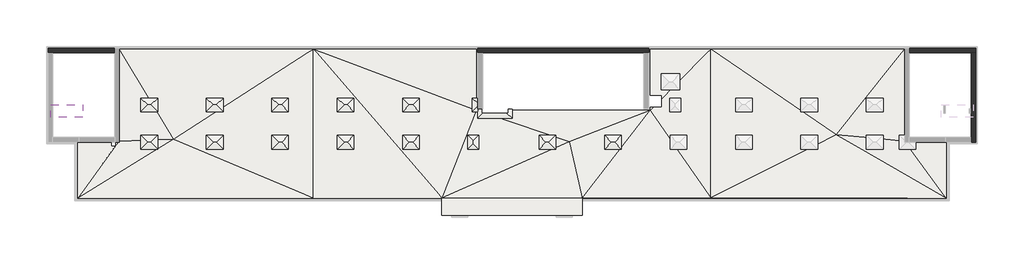
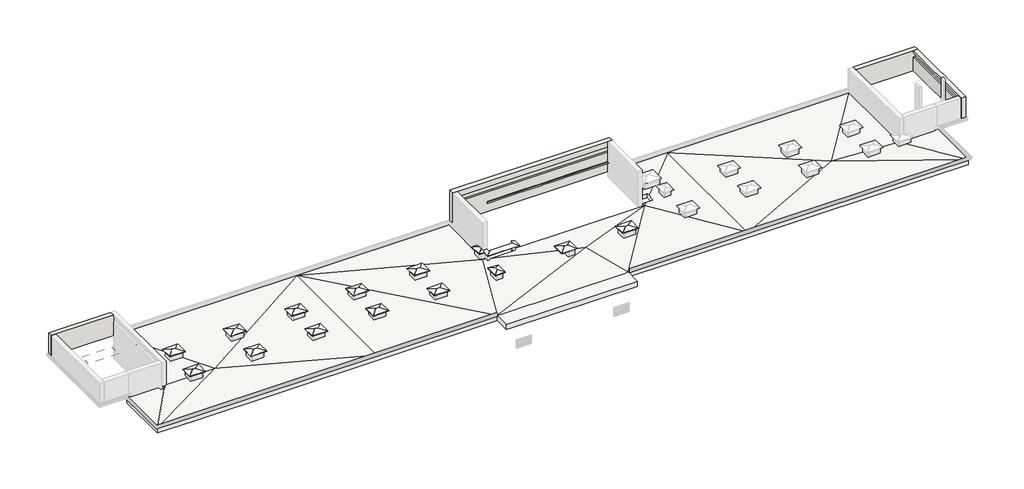
# One storey, part 3 of 5: 16 roofs, 4 walls, 1 slab.
"""IFC4 building model written with IfcOpenShell, lengths in millimetres."""

from ifc_helpers import new_model, si_unit, origin, place, context, project, spatial, faceted_brep, element, save

model = new_model("IFC4")

# Units and contexts
model_context = context("Model", 3, world=origin())
ifc_project = project(units=[si_unit("LENGTHUNIT", "METRE", prefix="MILLI")], contexts=[model_context])

# Site, building, storey
site = spatial("IfcSite", under=ifc_project)
building = spatial("IfcBuilding", under=site)
storey = spatial("IfcBuildingStorey", under=building, Elevation=33100.0)

# Roofs
placement = place(None, origin())
element("IfcRoof", 1, at=placement, inside=storey, context=model_context, shape_type="Brep", body=[
    faceted_brep([(-37279.9887159, -5086.8920513, 34092.9234186), (-36559.9887159, -5806.8920513, 33900.0), (-38319.9887159, -5806.8920513, 33900.0), (-37599.9887159, -5086.8920513, 34092.9234186), (-36559.9887159, -4366.8920513, 33900.0), (-38319.9887159, -4366.8920513, 33900.0), (-36559.9887159, -5806.8920513, 33941.4110472), (-37279.9887159, -5086.8920513, 34134.3344658), (-37599.9887159, -5086.8920513, 34134.3344658), (-38319.9887159, -5806.8920513, 33941.4110472), (-36559.9887159, -4366.8920513, 33941.4110472), (-38319.9887159, -4366.8920513, 33941.4110472)], [[[0, 1, 2, 3]], [[1, 0, 4]], [[5, 3, 2]], [[4, 0, 3, 5]], [[6, 7, 8, 9]], [[6, 10, 7]], [[11, 9, 8]], [[10, 11, 8, 7]], [[4, 10, 6, 1]], [[5, 11, 10, 4]], [[2, 9, 11, 5]], [[1, 6, 9, 2]]]),
])
element("IfcRoof", 2, at=placement, inside=storey, context=model_context, shape_type="Brep", body=[
    faceted_brep([(-37279.9887159, -9026.8920513, 34092.9234186), (-36559.9887159, -9746.8920513, 33900.0), (-38319.9887159, -9746.8920513, 33900.0), (-37599.9887159, -9026.8920513, 34092.9234186), (-36559.9887159, -8306.8920513, 33900.0), (-38319.9887159, -8306.8920513, 33900.0), (-36559.9887159, -9746.8920513, 33941.4110472), (-37279.9887159, -9026.8920513, 34134.3344658), (-37599.9887159, -9026.8920513, 34134.3344658), (-38319.9887159, -9746.8920513, 33941.4110472), (-36559.9887159, -8306.8920513, 33941.4110472), (-38319.9887159, -8306.8920513, 33941.4110472)], [[[0, 1, 2, 3]], [[1, 0, 4]], [[5, 3, 2]], [[4, 0, 3, 5]], [[6, 7, 8, 9]], [[6, 10, 7]], [[11, 9, 8]], [[10, 11, 8, 7]], [[4, 10, 6, 1]], [[5, 11, 10, 4]], [[2, 9, 11, 5]], [[1, 6, 9, 2]]]),
])
element("IfcRoof", 3, at=placement, inside=storey, context=model_context, shape_type="Brep", body=[
    faceted_brep([(-30379.9887159, -9026.8920513, 34092.9234186), (-29659.9887159, -9746.8920513, 33900.0), (-31419.9887159, -9746.8920513, 33900.0), (-30699.9887159, -9026.8920513, 34092.9234186), (-29659.9887159, -8306.8920513, 33900.0), (-31419.9887159, -8306.8920513, 33900.0), (-29659.9887159, -9746.8920513, 33941.4110472), (-30379.9887159, -9026.8920513, 34134.3344658), (-30699.9887159, -9026.8920513, 34134.3344658), (-31419.9887159, -9746.8920513, 33941.4110472), (-29659.9887159, -8306.8920513, 33941.4110472), (-31419.9887159, -8306.8920513, 33941.4110472)], [[[0, 1, 2, 3]], [[1, 0, 4]], [[5, 3, 2]], [[4, 0, 3, 5]], [[6, 7, 8, 9]], [[6, 10, 7]], [[11, 9, 8]], [[10, 11, 8, 7]], [[4, 10, 6, 1]], [[5, 11, 10, 4]], [[2, 9, 11, 5]], [[1, 6, 9, 2]]]),
])
element("IfcRoof", 4, at=placement, inside=storey, context=model_context, shape_type="Brep", body=[
    faceted_brep([(-30379.9887159, -5086.8920513, 34088.5889528), (-29659.9887159, -5806.8920513, 33895.6655342), (-31419.9887159, -5806.8920513, 33895.6655342), (-30699.9887159, -5086.8920513, 34088.5889528), (-29659.9887159, -4366.8920513, 33895.6655342), (-31419.9887159, -4366.8920513, 33895.6655342), (-29659.9887159, -5806.8920513, 33937.0765814), (-30379.9887159, -5086.8920513, 34130.0), (-30699.9887159, -5086.8920513, 34130.0), (-31419.9887159, -5806.8920513, 33937.0765814), (-29659.9887159, -4366.8920513, 33937.0765814), (-31419.9887159, -4366.8920513, 33937.0765814)], [[[0, 1, 2, 3]], [[1, 0, 4]], [[5, 3, 2]], [[4, 0, 3, 5]], [[6, 7, 8, 9]], [[6, 10, 7]], [[11, 9, 8]], [[10, 11, 8, 7]], [[4, 10, 6, 1]], [[5, 11, 10, 4]], [[2, 9, 11, 5]], [[1, 6, 9, 2]]]),
])
element("IfcRoof", 5, at=placement, inside=storey, context=model_context, shape_type="Brep", body=[
    faceted_brep([(-23479.9887159, -9021.8920656, 34092.9234186), (-22759.9887159, -9741.8920656, 33900.0), (-24519.9887159, -9741.8920656, 33900.0), (-23799.9887159, -9021.8920656, 34092.9234186), (-22759.9887159, -8301.8920656, 33900.0), (-24519.9887159, -8301.8920656, 33900.0), (-22759.9887159, -9741.8920656, 33941.4110472), (-23479.9887159, -9021.8920656, 34134.3344658), (-23799.9887159, -9021.8920656, 34134.3344658), (-24519.9887159, -9741.8920656, 33941.4110472), (-22759.9887159, -8301.8920656, 33941.4110472), (-24519.9887159, -8301.8920656, 33941.4110472)], [[[0, 1, 2, 3]], [[1, 0, 4]], [[5, 3, 2]], [[4, 0, 3, 5]], [[6, 7, 8, 9]], [[6, 10, 7]], [[11, 9, 8]], [[10, 11, 8, 7]], [[4, 10, 6, 1]], [[5, 11, 10, 4]], [[2, 9, 11, 5]], [[1, 6, 9, 2]]]),
])
element("IfcRoof", 6, at=placement, inside=storey, context=model_context, shape_type="Brep", body=[
    faceted_brep([(-23479.9887159, -5086.8920513, 34092.9234186), (-22759.9887159, -5806.8920513, 33900.0), (-24519.9887159, -5806.8920513, 33900.0), (-23799.9887159, -5086.8920513, 34092.9234186), (-22759.9887159, -4366.8920513, 33900.0), (-24519.9887159, -4366.8920513, 33900.0), (-22759.9887159, -5806.8920513, 33941.4110472), (-23479.9887159, -5086.8920513, 34134.3344658), (-23799.9887159, -5086.8920513, 34134.3344658), (-24519.9887159, -5806.8920513, 33941.4110472), (-22759.9887159, -4366.8920513, 33941.4110472), (-24519.9887159, -4366.8920513, 33941.4110472)], [[[0, 1, 2, 3]], [[1, 0, 4]], [[5, 3, 2]], [[4, 0, 3, 5]], [[6, 7, 8, 9]], [[6, 10, 7]], [[11, 9, 8]], [[10, 11, 8, 7]], [[4, 10, 6, 1]], [[5, 11, 10, 4]], [[2, 9, 11, 5]], [[1, 6, 9, 2]]]),
])
element("IfcRoof", 7, at=placement, inside=storey, context=model_context, shape_type="Brep", body=[
    faceted_brep([(-16579.9887159, -9026.8920513, 34092.9234186), (-15859.9887159, -9746.8920513, 33900.0), (-17619.9887159, -9746.8920513, 33900.0), (-16899.9887159, -9026.8920513, 34092.9234186), (-15859.9887159, -8306.8920513, 33900.0), (-17619.9887159, -8306.8920513, 33900.0), (-15859.9887159, -9746.8920513, 33941.4110472), (-16579.9887159, -9026.8920513, 34134.3344658), (-16899.9887159, -9026.8920513, 34134.3344658), (-17619.9887159, -9746.8920513, 33941.4110472), (-15859.9887159, -8306.8920513, 33941.4110472), (-17619.9887159, -8306.8920513, 33941.4110472)], [[[0, 1, 2, 3]], [[1, 0, 4]], [[5, 3, 2]], [[4, 0, 3, 5]], [[6, 7, 8, 9]], [[6, 10, 7]], [[11, 9, 8]], [[10, 11, 8, 7]], [[4, 10, 6, 1]], [[5, 11, 10, 4]], [[2, 9, 11, 5]], [[1, 6, 9, 2]]]),
])
element("IfcRoof", 8, at=placement, inside=storey, context=model_context, shape_type="Brep", body=[
    faceted_brep([(-16579.9887159, -5086.8920513, 34092.9234186), (-15859.9887159, -5806.8920513, 33900.0), (-17619.9887159, -5806.8920513, 33900.0), (-16899.9887159, -5086.8920513, 34092.9234186), (-15859.9887159, -4366.8920513, 33900.0), (-17619.9887159, -4366.8920513, 33900.0), (-15859.9887159, -5806.8920513, 33941.4110472), (-16579.9887159, -5086.8920513, 34134.3344658), (-16899.9887159, -5086.8920513, 34134.3344658), (-17619.9887159, -5806.8920513, 33941.4110472), (-15859.9887159, -4366.8920513, 33941.4110472), (-17619.9887159, -4366.8920513, 33941.4110472)], [[[0, 1, 2, 3]], [[1, 0, 4]], [[5, 3, 2]], [[4, 0, 3, 5]], [[6, 7, 8, 9]], [[6, 10, 7]], [[11, 9, 8]], [[10, 11, 8, 7]], [[4, 10, 6, 1]], [[5, 11, 10, 4]], [[2, 9, 11, 5]], [[1, 6, 9, 2]]]),
])
element("IfcRoof", 9, at=placement, inside=storey, context=model_context, shape_type="Brep", body=[
    faceted_brep([(-9679.9887159, -9026.8920513, 34092.9234186), (-8959.9887159, -9746.8920513, 33900.0), (-10719.9887159, -9746.8920513, 33900.0), (-9999.9887159, -9026.8920513, 34092.9234186), (-8959.9887159, -8306.8920513, 33900.0), (-10719.9887159, -8306.8920513, 33900.0), (-8959.9887159, -9746.8920513, 33941.4110472), (-9679.9887159, -9026.8920513, 34134.3344658), (-9999.9887159, -9026.8920513, 34134.3344658), (-10719.9887159, -9746.8920513, 33941.4110472), (-8959.9887159, -8306.8920513, 33941.4110472), (-10719.9887159, -8306.8920513, 33941.4110472)], [[[0, 1, 2, 3]], [[1, 0, 4]], [[5, 3, 2]], [[4, 0, 3, 5]], [[6, 7, 8, 9]], [[6, 10, 7]], [[11, 9, 8]], [[10, 11, 8, 7]], [[4, 10, 6, 1]], [[5, 11, 10, 4]], [[2, 9, 11, 5]], [[1, 6, 9, 2]]]),
])
element("IfcRoof", 10, at=placement, inside=storey, context=model_context, shape_type="Brep", body=[
    faceted_brep([(-9679.9887159, -5086.8920513, 34092.9234186), (-8959.9887159, -5806.8920513, 33900.0), (-10719.9887159, -5806.8920513, 33900.0), (-9999.9887159, -5086.8920513, 34092.9234186), (-8959.9887159, -4366.8920513, 33900.0), (-10719.9887159, -4366.8920513, 33900.0), (-8959.9887159, -5806.8920513, 33941.4110472), (-9679.9887159, -5086.8920513, 34134.3344658), (-9999.9887159, -5086.8920513, 34134.3344658), (-10719.9887159, -5806.8920513, 33941.4110472), (-8959.9887159, -4366.8920513, 33941.4110472), (-10719.9887159, -4366.8920513, 33941.4110472)], [[[0, 1, 2, 3]], [[1, 0, 4]], [[5, 3, 2]], [[4, 0, 3, 5]], [[6, 7, 8, 9]], [[6, 10, 7]], [[11, 9, 8]], [[10, 11, 8, 7]], [[4, 10, 6, 1]], [[5, 11, 10, 4]], [[2, 9, 11, 5]], [[1, 6, 9, 2]]]),
])
element("IfcRoof", 11, at=placement, inside=storey, context=model_context, shape_type="Brep", body=[
    faceted_brep([(-3257.4887159, -9169.3920513, 34054.7406586), (-2679.9887159, -9746.8920513, 33900.0), (-3834.9887159, -9746.8920513, 33900.0), (-3257.4887159, -8884.3920513, 34054.7406586), (-2679.9887159, -8306.8920513, 33900.0), (-3834.9887159, -8306.8920513, 33900.0), (-2679.9887159, -9746.8920513, 33941.4110472), (-3257.4887159, -9169.3920513, 34096.1517058), (-3834.9887159, -9746.8920513, 33941.4110472), (-2679.9887159, -8306.8920513, 33941.4110472), (-3257.4887159, -8884.3920513, 34096.1517058), (-3834.9887159, -8306.8920513, 33941.4110472)], [[[0, 1, 2]], [[1, 0, 3, 4]], [[5, 3, 0, 2]], [[4, 3, 5]], [[6, 7, 8]], [[6, 9, 10, 7]], [[11, 8, 7, 10]], [[9, 11, 10]], [[4, 9, 6, 1]], [[5, 11, 9, 4]], [[2, 8, 11, 5]], [[1, 6, 8, 2]]]),
])
element("IfcRoof", 12, at=placement, inside=storey, context=model_context, shape_type="Brep", body=[
    faceted_brep([(4700.0112841, -9026.8920513, 34092.9234186), (5420.0112841, -9746.8920513, 33900.0), (3660.0112841, -9746.8920513, 33900.0), (4380.0112841, -9026.8920513, 34092.9234186), (5420.0112841, -8306.8920513, 33900.0), (3660.0112841, -8306.8920513, 33900.0), (5420.0112841, -9746.8920513, 33941.4110472), (4700.0112841, -9026.8920513, 34134.3344658), (4380.0112841, -9026.8920513, 34134.3344658), (3660.0112841, -9746.8920513, 33941.4110472), (5420.0112841, -8306.8920513, 33941.4110472), (3660.0112841, -8306.8920513, 33941.4110472)], [[[0, 1, 2, 3]], [[1, 0, 4]], [[5, 3, 2]], [[4, 0, 3, 5]], [[6, 7, 8, 9]], [[6, 10, 7]], [[11, 9, 8]], [[10, 11, 8, 7]], [[4, 10, 6, 1]], [[5, 11, 10, 4]], [[2, 9, 11, 5]], [[1, 6, 9, 2]]]),
])
element("IfcRoof", 13, at=placement, inside=storey, context=model_context, shape_type="Brep", body=[
    faceted_brep([(11620.0112841, -9026.8920513, 34092.9234186), (12340.0112841, -9746.8920513, 33900.0), (10580.0112841, -9746.8920513, 33900.0), (11300.0112841, -9026.8920513, 34092.9234186), (12340.0112841, -8306.8920513, 33900.0), (10580.0112841, -8306.8920513, 33900.0), (12340.0112841, -9746.8920513, 33941.4110472), (11620.0112841, -9026.8920513, 34134.3344658), (11300.0112841, -9026.8920513, 34134.3344658), (10580.0112841, -9746.8920513, 33941.4110472), (12340.0112841, -8306.8920513, 33941.4110472), (10580.0112841, -8306.8920513, 33941.4110472)], [[[0, 1, 2, 3]], [[1, 0, 4]], [[5, 3, 2]], [[4, 0, 3, 5]], [[6, 7, 8, 9]], [[6, 10, 7]], [[11, 9, 8]], [[10, 11, 8, 7]], [[4, 10, 6, 1]], [[5, 11, 10, 4]], [[2, 9, 11, 5]], [[1, 6, 9, 2]]]),
])
element("IfcRoof", 14, at=placement, inside=storey, context=model_context, shape_type="Brep", body=[
    faceted_brep([(-2799.9887159, -5236.8920513, 34052.7310397), (-2799.9887159, -5806.8920513, 33900.0), (-3369.9887159, -5806.8920513, 33900.0), (-3369.9887159, -4366.8920513, 33900.0), (-2799.9887159, -4936.8920513, 34052.7310397), (-2799.9887159, -4366.8920513, 33900.0), (-2799.9887159, -5806.8920513, 33941.4110472), (-2799.9887159, -5236.8920513, 34094.1420869), (-3369.9887159, -5806.8920513, 33941.4110472), (-3369.9887159, -4366.8920513, 33941.4110472), (-2799.9887159, -4936.8920513, 34094.1420869), (-2799.9887159, -4366.8920513, 33941.4110472)], [[[0, 1, 2]], [[3, 4, 0, 2]], [[3, 5, 4]], [[6, 7, 8]], [[9, 8, 7, 10]], [[11, 9, 10]], [[3, 9, 11, 5]], [[2, 8, 9, 3]], [[1, 6, 8, 2]], [[11, 10, 7, 6, 1, 0, 4, 5]]]),
])
element("IfcRoof", 15, at=placement, inside=storey, context=model_context, shape_type="Brep", body=[
    faceted_brep([(810.0112841, -6499.3920513, 33900.0), (-2804.9887159, -6499.3920513, 33900.0), (-2252.4887159, -5946.8920513, 34048.0419288), (257.5112841, -5946.8920513, 34048.0419288), (810.0112841, -5566.8920513, 33900.0), (410.0112841, -5946.8920513, 34007.179677), (410.0112841, -5566.8920513, 34007.179677), (-2804.9887159, -5566.8920513, 33900.0), (-2389.9887159, -5566.8920513, 34011.1989149), (-2389.9887159, -5946.8920513, 34011.1989149), (-2804.9887159, -6499.3920513, 33941.4110472), (810.0112841, -6499.3920513, 33941.4110472), (257.5112841, -5946.8920513, 34089.452976), (-2252.4887159, -5946.8920513, 34089.452976), (810.0112841, -5566.8920513, 33941.4110472), (410.0112841, -5566.8920513, 34048.5907242), (410.0112841, -5946.8920513, 34048.5907242), (-2804.9887159, -5566.8920513, 33941.4110472), (-2389.9887159, -5946.8920513, 34052.6099621), (-2389.9887159, -5566.8920513, 34052.6099621)], [[[0, 1, 2, 3]], [[4, 0, 3, 5, 6]], [[1, 7, 8, 9, 2]], [[10, 11, 12, 13]], [[11, 14, 15, 16, 12]], [[17, 10, 13, 18, 19]], [[14, 11, 0, 4]], [[10, 17, 7, 1]], [[11, 10, 1, 0]], [[18, 9, 8, 19]], [[9, 18, 13, 12, 16, 5, 3, 2]], [[14, 4, 6, 15]], [[7, 17, 19, 8]], [[5, 16, 15, 6]]]),
])
element("IfcRoof", 16, at=placement, inside=storey, context=model_context, shape_type="Brep", body=[
    faceted_brep([(-47169.9887159, -5726.8920513, 37140.6366588), (-47839.9887159, -6396.8920513, 36753.8119785), (-47839.9887159, -5056.8920513, 36753.8119785), (-44439.9887159, -6396.8920513, 36753.8119785), (-45109.9887159, -5726.8920513, 37140.6366588), (-44439.9887159, -5056.8920513, 36753.8119785), (-47839.9887159, -6396.8920513, 36800.0), (-47169.9887159, -5726.8920513, 37186.8246804), (-47839.9887159, -5056.8920513, 36800.0), (-44439.9887159, -6396.8920513, 36800.0), (-44439.9887159, -5056.8920513, 36800.0), (-45109.9887159, -5726.8920513, 37186.8246804)], [[[0, 1, 2]], [[3, 4, 5]], [[1, 0, 4, 3]], [[5, 4, 0, 2]], [[6, 7, 8]], [[9, 10, 11]], [[6, 9, 11, 7]], [[10, 8, 7, 11]], [[3, 9, 6, 1]], [[5, 10, 9, 3]], [[2, 8, 10, 5]], [[1, 6, 8, 2]]]),
])

# Slab
element("IfcSlab", 17, at=placement, inside=storey, context=model_context, shape_type="Brep", body=[
    faceted_brep([(42200.0112841, 793.1079487, 32652.0), (42200.0112841, 393.1079487, 32652.0), (42200.0112841, -8906.8920513, 32652.0), (42570.0112841, -8906.8920513, 32652.0), (42570.0112841, -9016.8920513, 32652.0), (42570.0112841, -9426.8920513, 32652.0), (43070.0112841, -9426.8920513, 32652.0), (43070.0112841, -8906.8920513, 32652.0), (46210.0112841, -8906.8920513, 32652.0), (46610.0112841, -8906.8920513, 32652.0), (46610.0112841, -9016.8920513, 32652.0), (46610.0112841, -14906.8920513, 32652.0), (42510.0112841, -14906.8920513, 32652.0), (21755.0112841, -14906.8920513, 32652.0), (8210.0112841, -14906.8920513, 32652.0), (8210.0112841, -15016.8920513, 32652.0), (8210.0112841, -16306.8920513, 32652.0), (8210.0112841, -16706.8920513, 32652.0), (-6189.9887159, -16706.8920513, 32652.0), (-6589.9887159, -16706.8920513, 32652.0), (-6589.9887159, -15016.8920513, 32652.0), (-6589.9887159, -14906.8920513, 32652.0), (-20134.9887159, -14906.8920513, 32652.0), (-40944.9887159, -14906.8920513, 32652.0), (-44989.9887159, -14906.8920513, 32652.0), (-44989.9887159, -9016.8920513, 32652.0), (-44989.9887159, -8906.8920513, 32652.0), (-44589.9887159, -8906.8920513, 32652.0), (-41449.9887159, -8906.8920513, 32652.0), (-41449.9887159, -9426.8920513, 32652.0), (-40949.9887159, -9426.8920513, 32652.0), (-40949.9887159, -8906.8920513, 32652.0), (-40624.9887159, -8906.8920513, 32652.0), (-40624.9887159, 393.1079487, 32652.0), (-40624.9887159, 793.1079487, 32652.0), (-2964.9887159, 793.1079487, 32652.0), (-2964.9887159, 393.1079487, 32652.0), (-2964.9887159, -4686.8920513, 32652.0), (-3049.9887159, -4686.8920513, 32652.0), (-3049.9887159, -5486.8920513, 32652.0), (-2964.9887159, -5486.8920513, 32652.0), (-2964.9887159, -5671.8920513, 32652.0), (-2589.9887159, -5671.8920513, 32652.0), (-2389.9887159, -5671.8920513, 32652.0), (-2389.9887159, -5946.8920513, 32652.0), (410.0112841, -5946.8920513, 32652.0), (410.0112841, -5671.8920513, 32652.0), (7910.0112841, -5671.8920513, 32652.0), (8110.0112841, -5671.8920513, 32652.0), (15385.0112841, -5671.8920513, 32652.0), (15385.0112841, -5306.8920513, 32652.0), (16601.2824705, -5306.8920513, 32652.0), (16601.2824705, -5296.8920513, 32652.0), (16601.2824705, -5096.8920513, 32652.0), (16601.2824705, -4046.8920513, 32652.0), (15385.0112841, -4046.8920513, 32652.0), (15385.0112841, 393.1079487, 32652.0), (15385.0112841, 793.1079487, 32652.0), (35410.0112841, 793.1079487, 32652.0), (35810.0112841, 793.1079487, 32652.0), (-36879.9887159, -9426.8920513, 32652.0), (-36879.9887159, -8626.8920513, 32652.0), (-37999.9887159, -8626.8920513, 32652.0), (-37999.9887159, -9426.8920513, 32652.0), (-36879.9887159, -5486.8920513, 32652.0), (-36879.9887159, -4686.8920513, 32652.0), (-37999.9887159, -4686.8920513, 32652.0), (-37999.9887159, -5486.8920513, 32652.0), (-29979.9887159, -5486.8920513, 32652.0), (-29979.9887159, -4686.8920513, 32652.0), (-31099.9887159, -4686.8920513, 32652.0), (-31099.9887159, -5486.8920513, 32652.0), (-23079.9887159, -5486.8920513, 32652.0), (-23079.9887159, -4686.8920513, 32652.0), (-24199.9887159, -4686.8920513, 32652.0), (-24199.9887159, -5486.8920513, 32652.0), (-16179.9887159, -5486.8920513, 32652.0), (-16179.9887159, -4686.8920513, 32652.0), (-17299.9887159, -4686.8920513, 32652.0), (-17299.9887159, -5486.8920513, 32652.0), (-29979.9887159, -9426.8920513, 32652.0), (-29979.9887159, -8626.8920513, 32652.0), (-31099.9887159, -8626.8920513, 32652.0), (-31099.9887159, -9426.8920513, 32652.0), (-23079.9887159, -9426.8920513, 32652.0), (-23079.9887159, -8626.8920513, 32652.0), (-24199.9887159, -8626.8920513, 32652.0), (-24199.9887159, -9426.8920513, 32652.0), (-16179.9887159, -9426.8920513, 32652.0), (-16179.9887159, -8626.8920513, 32652.0), (-17299.9887159, -8626.8920513, 32652.0), (-17299.9887159, -9426.8920513, 32652.0), (-9279.9887159, -9426.8920513, 32652.0), (-9279.9887159, -8626.8920513, 32652.0), (-10399.9887159, -8626.8920513, 32652.0), (-10399.9887159, -9426.8920513, 32652.0), (-9279.9887159, -5486.8920513, 32652.0), (-9279.9887159, -4686.8920513, 32652.0), (-10399.9887159, -4686.8920513, 32652.0), (-10399.9887159, -5486.8920513, 32652.0), (-3499.9887159, -9426.8920513, 32652.0), (-2999.9887159, -9426.8920513, 32652.0), (-2999.9887159, -8626.8920513, 32652.0), (-3499.9887159, -8626.8920513, 32652.0), (5120.0112841, -9426.8920513, 32652.0), (5120.0112841, -8626.8920513, 32652.0), (4620.0112841, -8626.8920513, 32652.0), (4620.0112841, -9426.8920513, 32652.0), (12020.0112841, -9426.8920513, 32652.0), (12020.0112841, -8626.8920513, 32652.0), (10900.0112841, -8626.8920513, 32652.0), (10900.0112841, -9426.8920513, 32652.0), (18920.0112841, -9426.8920513, 32652.0), (18920.0112841, -8626.8920513, 32652.0), (17800.0112841, -8626.8920513, 32652.0), (17800.0112841, -9426.8920513, 32652.0), (25820.0112841, -9426.8920513, 32652.0), (25820.0112841, -8626.8920513, 32652.0), (24700.0112841, -8626.8920513, 32652.0), (24700.0112841, -9426.8920513, 32652.0), (25820.0112841, -5486.8920513, 32652.0), (25820.0112841, -4686.8920513, 32652.0), (24700.0112841, -4686.8920513, 32652.0), (24700.0112841, -5486.8920513, 32652.0), (32720.0112841, -9426.8920513, 32652.0), (32720.0112841, -8626.8920513, 32652.0), (31600.0112841, -8626.8920513, 32652.0), (31600.0112841, -9426.8920513, 32652.0), (32720.0112841, -5486.8920513, 32652.0), (32720.0112841, -4686.8920513, 32652.0), (31600.0112841, -4686.8920513, 32652.0), (31600.0112841, -5486.8920513, 32652.0), (39620.0112841, -9426.8920513, 32652.0), (39620.0112841, -8626.8920513, 32652.0), (38500.0112841, -8626.8920513, 32652.0), (38500.0112841, -9426.8920513, 32652.0), (39620.0112841, -5486.8920513, 32652.0), (39620.0112841, -4686.8920513, 32652.0), (38500.0112841, -4686.8920513, 32652.0), (38500.0112841, -5486.8920513, 32652.0), (18300.0112841, -2026.8920513, 32652.0), (16797.553657, -2026.8920513, 32652.0), (16797.553657, -3246.8920513, 32652.0), (18300.0112841, -3246.8920513, 32652.0), (18296.2824705, -5386.8920513, 32652.0), (18296.2824705, -4686.8920513, 32652.0), (17796.2824705, -4686.8920513, 32652.0), (17796.2824705, -5386.8920513, 32652.0), (42200.0112841, 793.1079487, 33250.0), (42200.0112841, 393.1079487, 33250.0), (42200.0112841, -8906.8920513, 33250.0), (-40624.9887159, 793.1079487, 33250.0), (-20134.9887159, 793.1079487, 33250.0), (-2964.9887159, 793.1079487, 33250.0), (46610.0112841, -8906.8920513, 33250.0), (43070.0112841, -8906.8920513, 33250.0), (46210.0112841, -8906.8920513, 33250.0), (42570.0112841, -8906.8920513, 33250.0), (46610.0112841, -9016.8920513, 33250.0), (46610.0112841, -14906.8920513, 33250.0), (-44989.9887159, -14906.8920513, 33250.0), (-44989.9887159, -9016.8920513, 33250.0), (-44989.9887159, -8906.8920513, 33250.0), (42510.0112841, -14906.8920513, 33250.0), (21755.0112841, -14906.8920513, 33250.0), (8210.0112841, -14906.8920513, 33250.0), (8210.0112841, -15016.8920513, 33250.0), (8210.0112841, -16306.8920513, 33250.0), (8210.0112841, -16706.8920513, 33250.0), (-6189.9887159, -16706.8920513, 33250.0), (-6589.9887159, -16706.8920513, 33250.0), (-6589.9887159, -15016.8920513, 33250.0), (-6589.9887159, -14906.8920513, 33250.0), (-20134.9887159, -14906.8920513, 33250.0), (-40944.9887159, -14906.8920513, 33250.0), (-41449.9887159, -9426.8920513, 33250.0), (-41003.2887159, -9426.8920513, 33250.0), (-40949.9887159, -9426.8920513, 33248.5696395), (-40949.9887159, -9353.6274465, 33250.0), (-40949.9887159, -8906.8920513, 33250.0), (-41449.9887159, -8906.8920513, 33250.0), (-36879.9887159, -9426.8920513, 33139.3469899), (-36879.9887159, -8776.290482, 33152.048823), (-36879.9887159, -8626.8920513, 33152.048823), (-37999.9887159, -8626.8920513, 33181.342633), (-37999.9887159, -8815.3488953, 33181.342633), (-37999.9887159, -9426.8920513, 33169.4033456), (-36879.9887159, -5486.8920513, 33152.048823), (-36879.9887159, -5410.4665936, 33152.048823), (-36879.9887159, -4686.8920513, 33163.4736842), (-37316.7992422, -4686.8920513, 33163.4736842), (-37999.9887159, -4686.8920513, 33181.342633), (-37999.9887159, -5486.8920513, 33181.342633), (-29979.9887159, -5486.8920513, 33150.8421053), (-29979.9887159, -4686.8920513, 33163.4736842), (-31099.9887159, -4686.8920513, 33163.4736842), (-31099.9887159, -5486.8920513, 33150.8421053), (-23079.9887159, -5486.8920513, 33220.0609963), (-23079.9887159, -4686.8920513, 33220.0609963), (-24199.9887159, -4686.8920513, 33208.6750254), (-24199.9887159, -5486.8920513, 33208.6750254), (-16179.9887159, -5486.8920513, 33250.0), (-16179.9887159, -4686.8920513, 33250.0), (-17299.9887159, -4686.8920513, 33250.0), (-17299.9887159, -5486.8920513, 33250.0), (-29979.9887159, -9426.8920513, 33149.915283), (-29979.9887159, -8626.8920513, 33149.915283), (-31099.9887159, -8626.8920513, 33138.5293121), (-31099.9887159, -9426.8920513, 33138.5293121), (-23079.9887159, -9426.8920513, 33220.0609963), (-23079.9887159, -8626.8920513, 33220.0609963), (-24199.9887159, -8626.8920513, 33208.6750254), (-24199.9887159, -9426.8920513, 33208.6750254), (-16179.9887159, -9426.8920513, 33250.0), (-16179.9887159, -8626.8920513, 33250.0), (-17299.9887159, -8626.8920513, 33250.0), (-17299.9887159, -9426.8920513, 33250.0), (-9279.9887159, -9426.8920513, 33223.6317317), (-9279.9887159, -8626.8920513, 33214.7009906), (-10399.9887159, -8626.8920513, 33229.1932525), (-10399.9887159, -9426.8920513, 33238.1239936), (-9279.9887159, -5486.8920513, 33179.6478322), (-9279.9887159, -4686.8920513, 33170.7170911), (-10399.9887159, -4686.8920513, 33185.209353), (-10399.9887159, -5486.8920513, 33194.1400941), (-3049.9887159, -4686.8920513, 33122.8538283), (-2964.9887159, -4686.8920513, 33122.8538283), (-3049.9887159, -5486.8920513, 33104.2923434), (-2964.9887159, -5486.8920513, 33104.2923434), (-3499.9887159, -9426.8920513, 33156.4529883), (-2999.9887159, -9426.8920513, 33154.0365468), (-2999.9887159, -8626.8920513, 33142.5601376), (-3499.9887159, -8626.8920513, 33144.9765791), (5120.0112841, -9426.8920513, 33114.7935374), (5120.0112841, -8626.8920513, 33103.3171281), (4620.0112841, -8626.8920513, 33105.7335696), (4620.0112841, -9426.8920513, 33117.2099789), (12020.0112841, -9426.8920513, 33156.991156), (12020.0112841, -8626.8920513, 33138.4431985), (10900.0112841, -8626.8920513, 33128.4353179), (10900.0112841, -9426.8920513, 33146.9832755), (18920.0112841, -9426.8920513, 33183.2417582), (18920.0112841, -8626.8920513, 33183.2417582), (17800.0112841, -8626.8920513, 33156.8681319), (17800.0112841, -9159.0458975, 33156.8681319), (17800.0112841, -9426.8920513, 33161.2278906), (17985.5059569, -9426.8920513, 33161.2361383), (25820.0112841, -9426.8920513, 33203.9499493), (25820.0112841, -8626.8920513, 33203.9499493), (24700.0112841, -8626.8920513, 33216.6377861), (24700.0112841, -9426.8920513, 33216.6377861), (25820.0112841, -5486.8920513, 33203.9499493), (25820.0112841, -4686.8920513, 33203.9499493), (24700.0112841, -4686.8920513, 33216.6377861), (24700.0112841, -5486.8920513, 33216.6377861), (32720.0112841, -9426.8920513, 33126.7906131), (32720.0112841, -9382.281368, 33125.7838115), (32720.0112841, -8626.8920513, 33125.7838115), (31600.0112841, -8626.8920513, 33138.4716484), (31600.0112841, -9426.8920513, 33138.4716484), (32630.8730104, -9426.8920513, 33126.7936078), (32720.0112841, -5486.8920513, 33145.7539615), (32720.0112841, -4686.8920513, 33159.0337116), (31600.0112841, -4686.8920513, 33159.0337116), (31600.0112841, -5486.8920513, 33145.7539615), (39620.0112841, -9426.8920513, 33183.8416937), (39620.0112841, -8669.2025835, 33196.2796375), (39620.0112841, -8626.8920513, 33196.2796375), (39160.7516719, -8626.8920513, 33186.7170046), (38500.0112841, -8626.8920513, 33171.9599103), (38500.0112841, -9426.8920513, 33158.8274128), (39620.0112841, -5486.8920513, 33196.2796375), (39620.0112841, -4686.8920513, 33196.2796375), (38500.0112841, -4686.8920513, 33172.9591701), (38500.0112841, -5486.8920513, 33172.9591701), (43070.0112841, -9426.8920513, 33250.0), (42570.0112841, -9426.8920513, 33249.727523), (42570.0112841, -9016.8920513, 33250.0), (42570.0112841, -9410.2934119, 33250.0), (42582.2112841, -9426.8920513, 33250.0), (410.0112841, -5946.8920513, 33100.0), (410.0112841, -5671.8920513, 33100.0), (-2389.9887159, -5946.8920513, 33101.166108), (-2389.9887159, -5671.8920513, 32800.0), (-2389.9887159, -5671.8920513, 33100.0), (-2389.9887159, -5865.6047451, 33100.0), (-2148.7025091, -5946.8920513, 33100.0), (16797.553657, -2026.8920513, 33184.5707657), (18300.0112841, -2026.8920513, 33184.5707657), (16797.553657, -3246.8920513, 33156.2645012), (17774.3771, -3246.8920513, 33156.2645012), (18300.0112841, -3246.8920513, 33168.6420722), (18296.2824705, -4686.8920513, 33168.5542666), (18296.2824705, -5386.8920513, 33168.5542666), (17796.2824705, -4686.8920513, 33156.7803262), (17796.2824705, -5386.8920513, 33156.7803262), (16601.2824705, -4046.8920513, 33137.7030162), (15385.0112841, -4046.8920513, 33137.7030162), (7810.0112841, -14906.8920513, 33250.0), (-6189.9887159, -14906.8920513, 33250.0), (21755.0112841, -14869.8920513, 33250.0), (42510.0112841, -14900.7886516, 33250.0), (34996.0390443, -8243.2066528, 33100.0), (22480.3351508, -14506.8920513, 33241.7832224), (42280.8612841, -9016.8920513, 33250.0), (22341.1364178, 393.1079487, 33243.3601249), (21755.0112841, 793.1079487, 33250.0), (21755.0112841, 393.1079487, 33250.0), (-40624.9887159, -8906.8920513, 33250.0), (-44589.9887159, -8906.8920513, 33250.0), (-40624.9887159, 393.1079487, 33250.0), (-21086.9241998, -14506.8920513, 33240.3225806), (-34889.9887159, -8706.8920513, 33100.0), (-20134.9887159, 393.1079487, 33250.0), (-6935.0842573, -14506.8920513, 33250.0), (-19789.8931745, 393.1079487, 33250.0), (8116.7730776, -14506.8920513, 33239.8928812), (6826.2607547, -8970.482156, 33100.0), (-6189.9887159, -14729.9004142, 33245.5278112), (21503.61859, -14506.8920513, 33244.0802348), (15385.0112841, -5671.8920513, 33100.0), (8520.7855126, -14506.8920513, 33243.5029778), (-2964.9887159, -5671.8920513, 33100.0), (-2964.9887159, 393.1079487, 33240.7192575), (15385.0112841, -5306.8920513, 33108.4686775), (15385.0112841, 793.1079487, 33250.0), (15385.0112841, 393.1079487, 33240.7192575), (41881.1214465, 393.1079487, 33243.3601249), (-19072.6530624, 393.1079487, 33240.7192575), (-6432.9773461, -14506.8920513, 33243.5029778), (-37389.2413475, -4566.8920513, 33165.3684211), (-40383.5150317, 393.1079487, 33243.6842105), (-20756.2518738, 393.1079487, 33243.6842105), (16601.2824705, -4437.4818127, 33128.6406088), (18300.0112841, -2713.4187389, 33168.6420722), (21360.8890877, 393.1079487, 33240.7192575), (15744.6477884, -5306.8920513, 33108.4686775), (16601.2824705, -5096.8920513, 33128.6406088), (16601.2824705, -5296.8920513, 33128.6406088), (16601.2824705, -5306.8920513, 33128.6406088), (-1555.0398132, -6146.8920513, 33100.0)], [[[0, 1, 2, 3, 4, 5, 6, 7, 8, 9, 10, 11, 12, 13, 14, 15, 16, 17, 18, 19, 20, 21, 22, 23, 24, 25, 26, 27, 28, 29, 30, 31, 32, 33, 34, 35, 36, 37, 38, 39, 40, 41, 42, 43, 44, 45, 46, 47, 48, 49, 50, 51, 52, 53, 54, 55, 56, 57, 58, 59], [60, 61, 62, 63], [64, 65, 66, 67], [68, 69, 70, 71], [72, 73, 74, 75], [76, 77, 78, 79], [80, 81, 82, 83], [84, 85, 86, 87], [88, 89, 90, 91], [92, 93, 94, 95], [96, 97, 98, 99], [100, 101, 102, 103], [104, 105, 106, 107], [108, 109, 110, 111], [112, 113, 114, 115], [116, 117, 118, 119], [120, 121, 122, 123], [124, 125, 126, 127], [128, 129, 130, 131], [132, 133, 134, 135], [136, 137, 138, 139], [140, 141, 142, 143], [144, 145, 146, 147]], [[2, 1, 0, 148, 149, 150]], [[35, 34, 151, 152, 153]], [[154, 9, 8, 7, 155, 156]], [[2, 150, 157, 3]], [[11, 10, 9, 154, 158, 159]], [[26, 25, 24, 160, 161, 162]], [[14, 13, 12, 11, 159, 163, 164, 165]], [[17, 16, 15, 14, 165, 166, 167, 168]], [[19, 18, 17, 168, 169, 170]], [[21, 20, 19, 170, 171, 172]], [[24, 23, 22, 21, 172, 173, 174, 160]], [[29, 175, 176, 177, 30]], [[30, 177, 178, 179, 31]], [[175, 29, 28, 180]], [[60, 181, 182, 183, 61]], [[61, 183, 184, 62]], [[62, 184, 185, 186, 63]], [[181, 60, 63, 186]], [[64, 187, 188, 189, 65]], [[65, 189, 190, 191, 66]], [[66, 191, 192, 67]], [[187, 64, 67, 192]], [[68, 193, 194, 69]], [[69, 194, 195, 70]], [[70, 195, 196, 71]], [[193, 68, 71, 196]], [[72, 197, 198, 73]], [[73, 198, 199, 74]], [[74, 199, 200, 75]], [[197, 72, 75, 200]], [[76, 201, 202, 77]], [[77, 202, 203, 78]], [[78, 203, 204, 79]], [[201, 76, 79, 204]], [[80, 205, 206, 81]], [[81, 206, 207, 82]], [[82, 207, 208, 83]], [[205, 80, 83, 208]], [[84, 209, 210, 85]], [[85, 210, 211, 86]], [[86, 211, 212, 87]], [[209, 84, 87, 212]], [[88, 213, 214, 89]], [[89, 214, 215, 90]], [[90, 215, 216, 91]], [[213, 88, 91, 216]], [[92, 217, 218, 93]], [[93, 218, 219, 94]], [[94, 219, 220, 95]], [[217, 92, 95, 220]], [[96, 221, 222, 97]], [[97, 222, 223, 98]], [[98, 223, 224, 99]], [[221, 96, 99, 224]], [[225, 38, 37, 226]], [[38, 225, 227, 39]], [[39, 227, 228, 40]], [[100, 229, 230, 101]], [[101, 230, 231, 102]], [[102, 231, 232, 103]], [[229, 100, 103, 232]], [[104, 233, 234, 105]], [[105, 234, 235, 106]], [[106, 235, 236, 107]], [[233, 104, 107, 236]], [[108, 237, 238, 109]], [[109, 238, 239, 110]], [[110, 239, 240, 111]], [[237, 108, 111, 240]], [[112, 241, 242, 113]], [[113, 242, 243, 114]], [[114, 243, 244, 245, 115]], [[241, 112, 115, 245, 246]], [[116, 247, 248, 117]], [[117, 248, 249, 118]], [[118, 249, 250, 119]], [[247, 116, 119, 250]], [[120, 251, 252, 121]], [[121, 252, 253, 122]], [[122, 253, 254, 123]], [[251, 120, 123, 254]], [[124, 255, 256, 257, 125]], [[125, 257, 258, 126]], [[126, 258, 259, 127]], [[255, 124, 127, 259, 260]], [[128, 261, 262, 129]], [[129, 262, 263, 130]], [[130, 263, 264, 131]], [[261, 128, 131, 264]], [[132, 265, 266, 267, 133]], [[133, 267, 268, 269, 134]], [[134, 269, 270, 135]], [[265, 132, 135, 270]], [[136, 271, 272, 137]], [[137, 272, 273, 138]], [[138, 273, 274, 139]], [[271, 136, 139, 274]], [[6, 275, 155, 7]], [[276, 5, 4, 3, 157, 277, 278]], [[275, 6, 5, 276, 279]], [[45, 280, 281, 46]], [[282, 44, 43, 283, 284, 285]], [[280, 45, 44, 282, 286]], [[287, 141, 140, 288]], [[141, 287, 289, 142]], [[142, 289, 290, 291, 143]], [[292, 145, 144, 293]], [[145, 292, 294, 146]], [[146, 294, 295, 147]], [[54, 296, 297, 55]], [[172, 171, 170, 169, 168, 167, 166, 165, 298, 299]], [[300, 301, 159, 302, 256, 255, 260, 303]], [[159, 158, 154, 156, 155, 275, 279]], [[278, 277, 157, 150, 304]], [[256, 302, 305, 306, 307, 300, 303, 260, 259, 258, 257], [248, 247, 250, 249], [252, 251, 254, 253]], [[302, 159, 279, 276, 278, 304, 150, 266, 265, 270, 269, 268]], [[308, 32, 31, 179]], [[26, 162, 309, 180, 28, 27]], [[34, 33, 32, 308, 310, 151]], [[160, 174, 173, 311, 312]], [[152, 313, 173, 172, 314, 315], [202, 201, 204, 203], [214, 213, 216, 215]], [[172, 299, 298, 165, 316, 317, 318]], [[165, 164, 163, 159, 301, 300]], [[165, 300, 319, 246, 245, 244, 320, 321]], [[322, 41, 40, 228]], [[35, 153, 323, 226, 37, 36]], [[41, 322, 284, 283, 43, 42]], [[320, 49, 48, 47, 46, 281]], [[49, 320, 324, 50]], [[325, 57, 56, 55, 297, 326]], [[0, 59, 58, 57, 325, 306, 148]], [[165, 321, 320, 317, 316], [238, 237, 240, 239]], [[266, 150, 149, 148, 327, 302, 268, 267], [272, 271, 274, 273]], [[302, 327, 148, 306, 305], [262, 261, 264, 263]], [[153, 152, 328, 322, 228, 227, 225, 226, 323]], [[152, 315, 314, 172, 329, 322, 328], [218, 217, 220, 219], [222, 221, 224, 223]], [[308, 179, 178]], [[162, 161, 160, 176, 175, 180, 309]], [[151, 310, 308, 185, 184, 183, 182, 312, 188, 187, 192, 191, 190, 330, 331]], [[160, 312, 182, 181, 186, 185, 308, 178, 177, 176]], [[152, 151, 331, 330, 190, 189, 188, 312, 332], [194, 193, 196, 195]], [[173, 313, 152, 332, 312, 311], [198, 197, 200, 199], [206, 205, 208, 207], [210, 209, 212, 211]], [[325, 326, 297, 296, 333, 290, 289, 287, 288, 334, 335, 306]], [[324, 320, 336]], [[320, 244, 243, 242, 241, 246, 319, 300, 307, 306, 335, 334, 291, 290, 333, 337, 338, 339, 336], [292, 293, 295, 294]], [[322, 329, 172, 318, 317, 340, 286, 282, 285], [230, 229, 232, 231], [234, 233, 236, 235]], [[320, 281, 280, 286, 340, 317]], [[284, 322, 285]], [[143, 291, 334, 288, 140]], [[293, 144, 147, 295]], [[339, 51, 50, 324, 336]], [[51, 339, 338, 337, 333, 296, 54, 53, 52]]]),
])

# Walls
element("IfcWall", 18, at=placement, inside=storey, context=model_context, shape_type="Brep", body=[
    faceted_brep([(15220.0112841, 903.1079487, 33700.0), (-2799.9887159, 903.1079487, 33700.0), (-2799.9887159, 903.1079487, 36862.0), (-2799.9887159, 903.1079487, 37299.5128869), (-2799.9887159, 903.1079487, 37300.0), (15220.0112841, 903.1079487, 37300.0), (15220.0112841, 903.1079487, 37299.5128869), (15220.0112841, 903.1079487, 36862.0), (-2799.9887159, 393.1079487, 33700.0), (15220.0112841, 393.1079487, 33700.0), (15220.0112841, 393.1079487, 36862.0), (15220.0112841, 393.1079487, 37299.5128869), (15220.0112841, 393.1079487, 37300.0), (14710.0112841, 393.1079487, 37300.0), (-2289.9887159, 393.1079487, 37300.0), (-2799.9887159, 393.1079487, 37300.0), (-2799.9887159, 393.1079487, 37299.5128869), (-2799.9887159, 393.1079487, 36862.0), (14910.0112841, 393.1079487, 34680.0), (14710.0112841, 393.1079487, 34680.0), (11110.0112841, 393.1079487, 34680.0), (10910.0112841, 393.1079487, 34680.0), (10906.2824705, 393.1079487, 34680.0), (8750.0112841, 393.1079487, 34680.0), (8746.2824705, 393.1079487, 34680.0), (8550.0112841, 393.1079487, 34680.0), (8546.2824705, 393.1079487, 34680.0), (7470.0112841, 393.1079487, 34680.0), (7466.2824705, 393.1079487, 34680.0), (7270.0112841, 393.1079487, 34680.0), (7266.2824705, 393.1079487, 34680.0), (5110.0112841, 393.1079487, 34680.0), (5106.2824705, 393.1079487, 34680.0), (4910.0112841, 393.1079487, 34680.0), (1100.0112841, 393.1079487, 34680.0), (1100.0112841, 393.1079487, 34900.0), (5106.2824705, 393.1079487, 34900.0), (7266.2824705, 393.1079487, 34900.0), (7466.2824705, 393.1079487, 34900.0), (8546.2824705, 393.1079487, 34900.0), (8746.2824705, 393.1079487, 34900.0), (10906.2824705, 393.1079487, 34900.0), (14710.0112841, 393.1079487, 34900.0), (14910.0112841, 393.1079487, 34900.0), (14910.0112841, 393.1079487, 36052.0), (-2489.9887159, 393.1079487, 36052.0), (-2489.9887159, 393.1079487, 36650.0), (-1098.436018, 393.1079487, 36627.48258), (13689.543259, 393.1079487, 36627.48258), (14910.0112841, 393.1079487, 36650.0), (14910.0112841, 603.1079487, 34680.0), (1100.0112841, 603.1079487, 34680.0), (1100.0112841, 603.1079487, 34900.0), (14910.0112841, 603.1079487, 34900.0), (14910.0112841, 603.1079487, 36052.0), (-2489.9887159, 603.1079487, 36052.0), (14910.0112841, 603.1079487, 36650.0), (-2489.9887159, 603.1079487, 36650.0)], [[[0, 1, 2, 3, 4, 5, 6, 7]], [[8, 9, 10, 11, 12, 13, 14, 15, 16, 17], [18, 19, 20, 21, 22, 23, 24, 25, 26, 27, 28, 29, 30, 31, 32, 33, 34, 35, 36, 37, 38, 39, 40, 41, 42, 43], [44, 45, 46, 47, 48, 49]], [[1, 0, 9, 8]], [[5, 4, 15, 14, 13, 12]], [[50, 51, 34, 33, 32, 31, 30, 29, 28, 27, 26, 25, 24, 23, 22, 21, 20, 19, 18]], [[52, 53, 43, 42, 41, 40, 39, 38, 37, 36, 35]], [[51, 50, 53, 52]], [[53, 50, 18, 43]], [[5, 12, 11, 10, 9, 0, 7, 6]], [[51, 52, 35, 34]], [[54, 55, 45, 44]], [[55, 54, 56, 57]], [[56, 54, 44, 49]], [[55, 57, 46, 45]], [[1, 8, 17, 16, 15, 4, 3, 2]], [[57, 56, 48, 47]], [[57, 47, 46]], [[56, 49, 48]]]),
])
element("IfcWall", 19, at=placement, inside=storey, context=model_context, shape_type="Brep", body=[
    faceted_brep([(-41089.9887159, 903.1079487, 33700.0), (-48099.9887159, 903.1079487, 33700.0), (-48099.9887159, 903.1079487, 35662.0), (-48099.9887159, 903.1079487, 36099.5128869), (-48099.9887159, 903.1079487, 36100.0), (-41089.9887159, 903.1079487, 36100.0), (-41089.9887159, 903.1079487, 36099.5128869), (-41089.9887159, 903.1079487, 35662.0), (-48099.9887159, 393.1079487, 33700.0), (-47589.9887159, 393.1079487, 33700.0), (-41089.9887159, 393.1079487, 33700.0), (-41089.9887159, 393.1079487, 36100.0), (-47589.9887159, 393.1079487, 36100.0), (-48099.9887159, 393.1079487, 36100.0), (-48099.9887159, 393.1079487, 36099.5128869), (-48099.9887159, 393.1079487, 35662.0)], [[[0, 1, 2, 3, 4, 5, 6, 7]], [[8, 9, 10, 11, 12, 13, 14, 15]], [[1, 0, 10, 9, 8]], [[5, 4, 13, 12, 11]], [[5, 11, 10, 0, 7, 6]], [[1, 8, 15, 14, 13, 4, 3, 2]]]),
])
element("IfcWall", 20, at=placement, inside=storey, context=model_context, shape_type="Brep", body=[
    faceted_brep([(42710.0112841, 393.1079487, 33700.0), (49210.0112841, 393.1079487, 33700.0), (49720.0112841, 393.1079487, 33700.0), (49720.0112841, 393.1079487, 35662.0), (49720.0112841, 393.1079487, 36099.5128869), (49720.0112841, 393.1079487, 36100.0), (49210.0112841, 393.1079487, 36100.0), (42710.0112841, 393.1079487, 36100.0), (49720.0112841, 903.1079487, 33700.0), (42710.0112841, 903.1079487, 33700.0), (42710.0112841, 903.1079487, 35662.0), (42710.0112841, 903.1079487, 36099.5128869), (42710.0112841, 903.1079487, 36100.0), (49720.0112841, 903.1079487, 36100.0), (49720.0112841, 903.1079487, 36099.5128869), (49720.0112841, 903.1079487, 35662.0)], [[[0, 1, 2, 3, 4, 5, 6, 7]], [[8, 9, 10, 11, 12, 13, 14, 15]], [[2, 1, 0, 9, 8]], [[7, 6, 5, 13, 12]], [[2, 8, 15, 14, 13, 5, 4, 3]], [[0, 7, 12, 11, 10, 9]]]),
])
element("IfcWall", 21, at=placement, inside=storey, context=model_context, shape_type="Brep", body=[
    faceted_brep([(49720.0112841, -9016.8920513, 33700.0), (49720.0112841, 393.1079487, 33700.0), (49720.0112841, 393.1079487, 35662.0), (49720.0112841, 393.1079487, 36099.5128869), (49720.0112841, 393.1079487, 36100.0), (49720.0112841, -9016.8920513, 36100.0), (49720.0112841, -9016.8920513, 36099.5128869), (49720.0112841, -9016.8920513, 35662.0), (49210.0112841, 393.1079487, 33700.0), (49210.0112841, -8506.8920513, 33700.0), (49210.0112841, -9016.8920513, 33700.0), (49210.0112841, -9016.8920513, 35662.0), (49210.0112841, -9016.8920513, 36099.5128869), (49210.0112841, -9016.8920513, 36100.0), (49210.0112841, -8506.8920513, 36100.0), (49210.0112841, 393.1079487, 36100.0), (49210.0112841, 393.1079487, 35893.2796968), (49210.0112841, 244.3593686, 35889.7690048), (49210.0112841, -8545.3189286, 35889.7690048), (49210.0112841, -8706.8920513, 35898.0), (49210.0112841, -8706.8920513, 35300.0), (49210.0112841, 393.1079487, 35300.0), (49410.0112841, 393.1079487, 35300.0), (49410.0112841, 393.1079487, 35898.0), (49295.3154766, 393.1079487, 35893.2796968), (49410.0112841, -8706.8920513, 35300.0), (49410.0112841, -8706.8920513, 35898.0)], [[[0, 1, 2, 3, 4, 5, 6, 7]], [[8, 9, 10, 11, 12, 13, 14, 15, 16, 17, 18, 19, 20, 21]], [[1, 0, 10, 9, 8]], [[5, 4, 15, 14, 13]], [[1, 8, 21, 22, 23, 24, 16, 15, 4, 3, 2]], [[5, 13, 12, 11, 10, 0, 7, 6]], [[20, 25, 22, 21]], [[26, 25, 20, 19]], [[25, 26, 23, 22]], [[26, 18, 17, 24, 23]], [[18, 26, 19]], [[24, 17, 16]]]),
])

save(model, "model.ifc")
